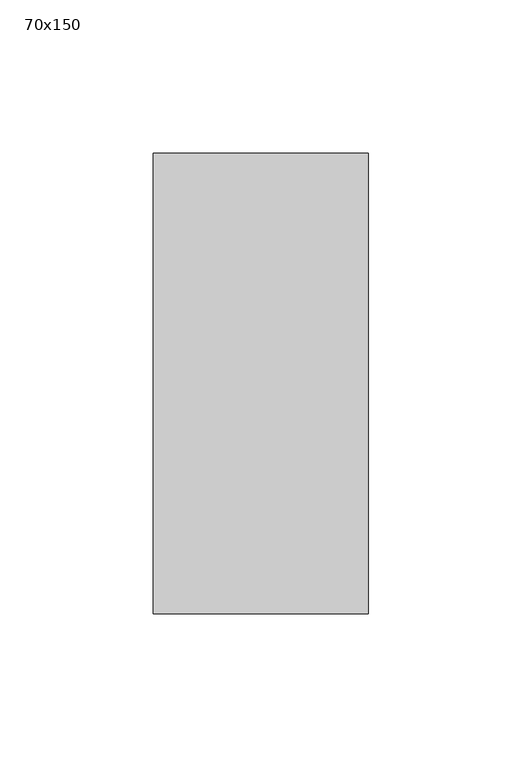
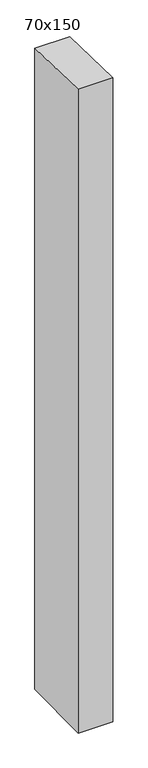
"""IFC4 building model written with IfcOpenShell, lengths in millimetres: member geometry, 70x150."""

from ifc_helpers import new_model, si_unit, frame, origin, place, context, project, spatial, polyline, outline, extrude, source, transform, mapped, element, save


def member_70x150_658f4aa9(model_context):
    return source(origin(), model_context, "Body", "SweptSolid", [
        extrude(outline(polyline([(-75.0, 1.8215042), (75.0, -1.8215042), (75.0, -1362.4610142), (-75.0, -1364.1392005), (-75.0, 1.8215042)])), frame((-35.0, 0.0, 0.0), z_axis=(1.0, 0.0, 0.0), x_axis=(0.0, 1.0, 0.0)), (0.0, 0.0, 1.0), 70.0),
    ])


if __name__ == "__main__":
    model = new_model("IFC4")
    model_context = context("Model", 3, world=origin())
    ifc_project = project(units=[si_unit("LENGTHUNIT", "METRE", prefix="MILLI")], contexts=[model_context])
    site = spatial("IfcSite", under=ifc_project)
    building = spatial("IfcBuilding", under=site)
    placement = place(None, origin())
    member_70x150_shape = member_70x150_658f4aa9(model_context)
    element("IfcMember", 1, ObjectType="70x150", at=placement, inside=building, context=model_context, shape_type="MappedRepresentation", body=[
        mapped(member_70x150_shape, transform((0.0, 0.0, 0.0), x_axis=(1.0, 0.0, 0.0), y_axis=(0.0, 1.0, 0.0), z_axis=(0.0, 0.0, 1.0))),
    ])
    save(model, "model.ifc")
